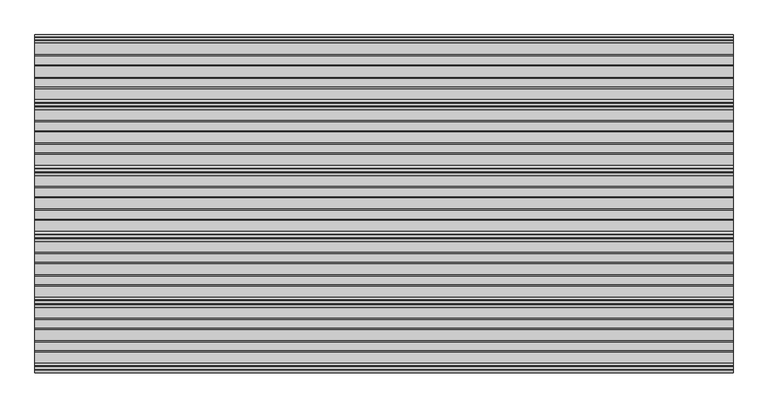
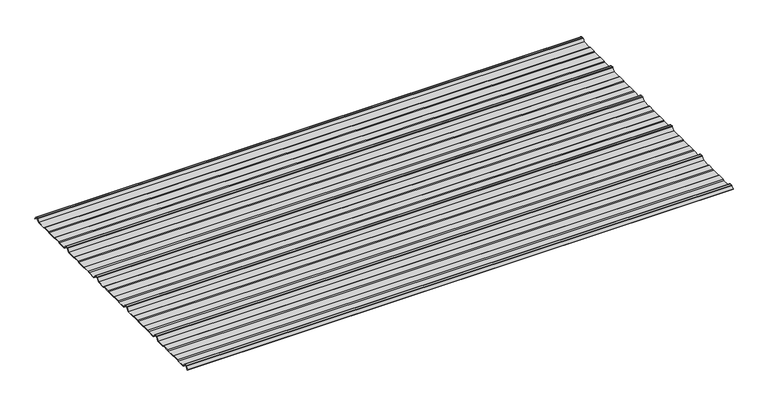
"""IFC4 building model written with IfcOpenShell, lengths in millimetres: beam geometry."""

import ifcopenshell
import ifcopenshell.guid

model = None  # the IFC model being written
_history = None  # IfcOwnerHistory: only IFC2X3 demands one
_inside = {}  # id of a spatial element -> (the spatial element, [elements in it])
_under = {}  # id of a project, library or spatial element -> (it, [spatial elements below it])
_declared = {}  # id of a project -> (the project, [libraries it declares])
_typed = {}  # id of a type object -> (the type object, [elements of that type])
_made_of = {}  # id of a material, layer set ... -> (it, [elements and type objects made of it])


def new_model(schema):
    """Start an empty IFC model of exactly this schema.

    Asked for "IFC4X3", IfcOpenShell would pick the latest addendum, in which some entities
    have other attributes; the version numbers below select the first issue.
    IFC2X3 requires an IfcOwnerHistory on every rooted entity: one is made here for all.
    """
    global model, _history
    if schema == "IFC4X3":
        model = ifcopenshell.file(schema_version=(4, 3, 0, 0))
    else:
        model = ifcopenshell.file(schema=schema)
    _inside.clear()
    _under.clear()
    _declared.clear()
    _typed.clear()
    _made_of.clear()
    _history = None
    if model.schema == "IFC2X3":
        org = make("IfcOrganization", Name="unknown")
        user = make(
            "IfcPersonAndOrganization",
            ThePerson=make("IfcPerson", FamilyName="unknown"),
            TheOrganization=org,
        )
        app = make(
            "IfcApplication",
            ApplicationDeveloper=org,
            Version="unknown",
            ApplicationFullName="unknown",
            ApplicationIdentifier="unknown",
        )
        _history = make(
            "IfcOwnerHistory",
            OwningUser=user,
            OwningApplication=app,
            ChangeAction="ADDED",
            CreationDate=0,
        )
    return model


def make(cls, **values):
    """One entity of the class cls with the attributes given. An attribute that is None is left unset."""
    return model.create_entity(
        cls, **{name: value for name, value in values.items() if value is not None}
    )


def rooted(cls, **values):
    """An entity with a GlobalId (a new one), such as an element, a storey or a relation."""
    return make(cls, GlobalId=ifcopenshell.guid.new(), OwnerHistory=_history, **values)


def si_unit(unit_type, name, prefix=None):
    """IfcSIUnit, for example si_unit("LENGTHUNIT", "METRE", prefix="MILLI")."""
    return make("IfcSIUnit", UnitType=unit_type, Prefix=prefix, Name=name)


def assignment(units):
    """IfcUnitAssignment: the units of a project."""
    return None if units is None else make("IfcUnitAssignment", Units=units)


def point(xyz):
    """IfcCartesianPoint."""
    return None if xyz is None else make("IfcCartesianPoint", Coordinates=xyz)


def direction(xyz):
    """IfcDirection."""
    return None if xyz is None else make("IfcDirection", DirectionRatios=xyz)


def frame(location, z_axis=None, x_axis=None):
    """IfcAxis2Placement3D, a coordinate frame: its origin and axes. An axis left out is left unset."""
    return make(
        "IfcAxis2Placement3D",
        Location=point(location),
        Axis=direction(z_axis),
        RefDirection=direction(x_axis),
    )


def frame_2d(location, x_axis=None):
    """IfcAxis2Placement2D, a coordinate frame in the plane: its origin and x axis."""
    return make(
        "IfcAxis2Placement2D", Location=point(location), RefDirection=direction(x_axis)
    )


def origin():
    """The frame at (0, 0, 0) with its axes left unset."""
    return frame((0.0, 0.0, 0.0))


def place(relative_to, where):
    """IfcLocalPlacement: puts the frame where relative to a parent placement (None: the world)."""
    return make(
        "IfcLocalPlacement", PlacementRelTo=relative_to, RelativePlacement=where
    )


def context(
    kind, dimensions, precision=None, world=None, true_north=None, identifier=None
):
    """IfcGeometricRepresentationContext, for example the 3D "Model" context."""
    return make(
        "IfcGeometricRepresentationContext",
        ContextIdentifier=identifier,
        ContextType=kind,
        CoordinateSpaceDimension=dimensions,
        Precision=precision,
        WorldCoordinateSystem=world,
        TrueNorth=true_north,
    )


def project(units=None, contexts=None):
    """IfcProject with its units and contexts."""
    return rooted(
        "IfcProject",
        Name="project",
        RepresentationContexts=contexts,
        UnitsInContext=assignment(units),
    )


def spatial(cls, under=None, at=None, **own):
    """A site, building, storey or space (cls), placed at a placement, below another one or the project."""
    s = rooted(cls, ObjectPlacement=at, **own)
    if under is not None:
        _under.setdefault(under.id(), (under, []))[1].append(s)
    return s


def polyline(points):
    """IfcPolyline through the points."""
    return make("IfcPolyline", Points=[point(p) for p in points])


def circle_curve(where, radius):
    """IfcCircle in the frame where."""
    return make("IfcCircle", Position=where, Radius=radius)


def trimmed(basis, trim1, trim2, sense, master):
    """IfcTrimmedCurve: the piece of a basis curve between two trims."""
    return make(
        "IfcTrimmedCurve",
        BasisCurve=basis,
        Trim1=trim1,
        Trim2=trim2,
        SenseAgreement=sense,
        MasterRepresentation=master,
    )


def segment(curve, same_sense, transition):
    """IfcCompositeCurveSegment."""
    return make(
        "IfcCompositeCurveSegment",
        Transition=transition,
        SameSense=same_sense,
        ParentCurve=curve,
    )


def composite_curve(segments, self_intersect=None):
    """IfcCompositeCurve: segments joined end to end."""
    return make("IfcCompositeCurve", Segments=segments, SelfIntersect=self_intersect)


def outline(outer, holes=None, kind="AREA"):
    """IfcArbitraryClosedProfileDef: a profile drawn as a closed curve; with holes, ...WithVoids."""
    if holes is None:
        return make("IfcArbitraryClosedProfileDef", ProfileType=kind, OuterCurve=outer)
    return make(
        "IfcArbitraryProfileDefWithVoids",
        ProfileType=kind,
        OuterCurve=outer,
        InnerCurves=holes,
    )


def extrude(swept, where, along, depth):
    """IfcExtrudedAreaSolid: the profile swept, set in the frame where, extruded along a direction by depth."""
    return make(
        "IfcExtrudedAreaSolid",
        SweptArea=swept,
        Position=where,
        ExtrudedDirection=direction(along),
        Depth=depth,
    )


def shape(context_of_items, identifier, shape_type, items):
    """IfcShapeRepresentation: the items that make up one representation, for example the "Body"."""
    return make(
        "IfcShapeRepresentation",
        ContextOfItems=context_of_items,
        RepresentationIdentifier=identifier,
        RepresentationType=shape_type,
        Items=items,
    )


def source(mapping_origin, context_of_items, identifier, shape_type, items):
    """IfcRepresentationMap: a shape defined once, which mapped items show again and again."""
    return make(
        "IfcRepresentationMap",
        MappingOrigin=mapping_origin,
        MappedRepresentation=shape(context_of_items, identifier, shape_type, items),
    )


def transform(
    local_origin,
    x_axis=None,
    y_axis=None,
    z_axis=None,
    scale=None,
    scale2=None,
    scale3=None,
    uniform=True,
):
    """IfcCartesianTransformationOperator3D, or its non-uniform kind. x_axis, y_axis, z_axis: its Axis1, 2, 3."""
    if uniform:
        return make(
            "IfcCartesianTransformationOperator3D",
            Axis1=direction(x_axis),
            Axis2=direction(y_axis),
            LocalOrigin=point(local_origin),
            Scale=scale,
            Axis3=direction(z_axis),
        )
    return make(
        "IfcCartesianTransformationOperator3DnonUniform",
        Axis1=direction(x_axis),
        Axis2=direction(y_axis),
        LocalOrigin=point(local_origin),
        Scale=scale,
        Axis3=direction(z_axis),
        Scale2=scale2,
        Scale3=scale3,
    )


def mapped(mapping_source, mapping_target):
    """IfcMappedItem: shows the shape of a source again, moved by a transform."""
    return make(
        "IfcMappedItem", MappingSource=mapping_source, MappingTarget=mapping_target
    )


def made_of(thing, what):
    """Note that an element or type object is made of a material, layer set ...; save() writes the relation."""
    if what is not None:
        _made_of.setdefault(what.id(), (what, []))[1].append(thing)
    return thing


def element(
    cls,
    number,
    at=None,
    inside=None,
    cuts=None,
    type_object=None,
    material=None,
    context=None,
    identifier="Body",
    shape_type=None,
    held_by="IfcProductDefinitionShape",
    body=None,
    shapes=None,
    **own,
):
    """One element of the class cls, such as IfcWall. Its Tag is "e" and its number.

    at: its placement. inside: the storey or other place that contains it. cuts: it is an
    opening in that element (IfcRelVoidsElement). A single representation is given by context,
    identifier, shape_type and body (its items); several are given by shapes. held_by: the class
    of the entity that holds the representations. save() writes the other relations.
    """
    e = rooted(cls, Tag="e%d" % number, ObjectPlacement=at, **own)
    if body is not None:
        shapes = [shape(context, identifier, shape_type, body)]
    if shapes is not None:
        e.Representation = make(held_by, Representations=shapes)
    if inside is not None:
        _inside.setdefault(inside.id(), (inside, []))[1].append(e)
    if cuts is not None:
        rooted(
            "IfcRelVoidsElement", RelatingBuildingElement=cuts, RelatedOpeningElement=e
        )
    if type_object is not None:
        _typed.setdefault(type_object.id(), (type_object, []))[1].append(e)
    return made_of(e, material)


def aggregate(whole, parts):
    """IfcRelAggregates: a whole, such as a stair, and the parts it consists of."""
    return rooted("IfcRelAggregates", RelatingObject=whole, RelatedObjects=parts)


def save(model, path):
    """Write the relations noted so far, then the file.

    IfcRelAggregates (storeys below a building ...), IfcRelContainedInSpatialStructure (elements
    in a storey), IfcRelDefinesByType, IfcRelAssociatesMaterial and IfcRelDeclares: one each for
    every whole, place, type object, material and project.
    """
    for whole, parts in _under.values():
        aggregate(whole, parts)
    for where, things in _inside.values():
        rooted(
            "IfcRelContainedInSpatialStructure",
            RelatedElements=things,
            RelatingStructure=where,
        )
    for kind, things in _typed.values():
        rooted("IfcRelDefinesByType", RelatedObjects=things, RelatingType=kind)
    for what, things in _made_of.values():
        rooted("IfcRelAssociatesMaterial", RelatedObjects=things, RelatingMaterial=what)
    for by, libraries in _declared.values():
        rooted("IfcRelDeclares", RelatingContext=by, RelatedDefinitions=libraries)
    model.write(path)


def beam_78d0a755(model_context):
    return source(origin(), model_context, "Body", "SweptSolid", [
        extrude(outline(composite_curve([segment(polyline([(-464.94703, -22.7896475), (-442.5749425, -22.7896475), (-439.3107785, -24.7896475), (-410.6895306, -24.7896475), (-407.4253666, -22.7896475), (-385.0532791, -22.7896475), (-380.9266771, -24.7896475), (-353.4995449, -24.7896475), (-345.8948496, -14.952867)]), True, "CONTINUOUS"), segment(trimmed(circle_curve(frame_2d((-343.5198937, -16.7889166)), 3.0019149), [point((-345.8948496, -14.952867))], [point((-343.5198937, -13.7870016))], False, "CARTESIAN"), True, "CONTINUOUS"), segment(polyline([(-343.5198937, -13.7870016), (-336.4804153, -13.7870016)]), True, "CONTINUOUS"), segment(trimmed(circle_curve(frame_2d((-336.4804153, -16.7889166)), 3.0019149), [point((-336.4804153, -13.7870016))], [point((-334.1054594, -14.952867))], False, "CARTESIAN"), True, "CONTINUOUS"), segment(polyline([(-334.1054594, -14.952867), (-326.5007641, -24.7896475), (-299.0736319, -24.7896475), (-294.94703, -22.7896475), (-272.5749425, -22.7896475), (-269.3107785, -24.7896475), (-240.6895306, -24.7896475), (-237.4253666, -22.7896475), (-215.0532791, -22.7896475), (-210.9266771, -24.7896475), (-183.4995449, -24.7896475), (-175.8948496, -14.952867)]), True, "CONTINUOUS"), segment(trimmed(circle_curve(frame_2d((-173.5198937, -16.7889166)), 3.0019149), [point((-175.8948496, -14.952867))], [point((-173.5198937, -13.7870016))], False, "CARTESIAN"), True, "CONTINUOUS"), segment(polyline([(-173.5198937, -13.7870016), (-166.4804153, -13.7870016)]), True, "CONTINUOUS"), segment(trimmed(circle_curve(frame_2d((-166.4804153, -16.7889166)), 3.0019149), [point((-166.4804153, -13.7870016))], [point((-164.1054594, -14.952867))], False, "CARTESIAN"), True, "CONTINUOUS"), segment(polyline([(-164.1054594, -14.952867), (-156.5007641, -24.7896475), (-129.0736319, -24.7896475), (-124.94703, -22.7896475), (-102.5749425, -22.7896475), (-99.3107785, -24.7896475), (-70.6895306, -24.7896475), (-67.4253666, -22.7896475), (-45.0532791, -22.7896475), (-40.9266771, -24.7896475), (-10.9720783, -24.7896475), (-4.6126439, -16.564243)]), True, "CONTINUOUS"), segment(trimmed(circle_curve(frame_2d((-3.0287899, -17.7887926)), 2.0020278), [point((-4.6126439, -16.564243))], [point((-3.0287899, -15.7867648))], False, "CARTESIAN"), True, "CONTINUOUS"), segment(polyline([(-3.0287899, -15.7867648), (3.0287899, -15.7867648)]), True, "CONTINUOUS"), segment(trimmed(circle_curve(frame_2d((3.0287899, -17.7889097)), 2.002145), [point((3.0287899, -15.7867648))], [point((4.6128942, -16.5644924))], False, "CARTESIAN"), True, "CONTINUOUS"), segment(polyline([(4.6128942, -16.5644924), (10.4920288, -24.170692), (9.6974706, -24.7848377), (3.8180292, -17.1782411)]), True, "CONTINUOUS"), segment(trimmed(circle_curve(frame_2d((3.0270062, -17.7896543)), 0.9997717), [point((3.8180292, -17.1782411))], [point((3.0270062, -16.7898825))], True, "CARTESIAN"), True, "CONTINUOUS"), segment(polyline([(3.0270062, -16.7898825), (-3.0276219, -16.7898825)]), True, "CONTINUOUS"), segment(trimmed(circle_curve(frame_2d((-3.0276219, -17.7897705)), 0.999888), [point((-3.0276219, -16.7898825))], [point((-3.8188309, -17.1784078))], True, "CARTESIAN"), True, "CONTINUOUS"), segment(polyline([(-3.8188309, -17.1784078), (-10.472688, -25.7896475), (-41.156237, -25.7896475), (-45.282839, -23.7896475), (-67.1433713, -23.7896475), (-70.4075353, -25.7896475), (-99.5927737, -25.7896475), (-102.8569377, -23.7896475), (-124.7174701, -23.7896475), (-128.8440721, -25.7896475), (-157.0001545, -25.7896475), (-164.8990553, -15.5668074)]), True, "CONTINUOUS"), segment(trimmed(circle_curve(frame_2d((-166.4816677, -16.7896475)), 2.0), [point((-164.8990553, -15.5668074))], [point((-166.4816677, -14.7896475))], True, "CARTESIAN"), True, "CONTINUOUS"), segment(polyline([(-166.4816677, -14.7896475), (-173.5186413, -14.7896475)]), True, "CONTINUOUS"), segment(trimmed(circle_curve(frame_2d((-173.5186413, -16.7896475)), 2.0), [point((-173.5186413, -14.7896475))], [point((-175.1012537, -15.5668074))], True, "CARTESIAN"), True, "CONTINUOUS"), segment(polyline([(-175.1012537, -15.5668074), (-183.0001545, -25.7896475), (-211.156237, -25.7896475), (-215.282839, -23.7896475), (-237.1433713, -23.7896475), (-240.4075353, -25.7896475), (-269.5927737, -25.7896475), (-272.8569377, -23.7896475), (-294.7174701, -23.7896475), (-298.8440721, -25.7896475), (-327.0001545, -25.7896475), (-334.8990553, -15.5668074)]), True, "CONTINUOUS"), segment(trimmed(circle_curve(frame_2d((-336.4816677, -16.7896475)), 2.0), [point((-334.8990553, -15.5668074))], [point((-336.4816677, -14.7896475))], True, "CARTESIAN"), True, "CONTINUOUS"), segment(polyline([(-336.4816677, -14.7896475), (-343.5186413, -14.7896475)]), True, "CONTINUOUS"), segment(trimmed(circle_curve(frame_2d((-343.5186413, -16.7896475)), 2.0), [point((-343.5186413, -14.7896475))], [point((-345.1012537, -15.5668074))], True, "CARTESIAN"), True, "CONTINUOUS"), segment(polyline([(-345.1012537, -15.5668074), (-353.0001545, -25.7896475), (-381.156237, -25.7896475), (-385.282839, -23.7896475), (-407.1433713, -23.7896475), (-410.4075353, -25.7896475), (-439.5927737, -25.7896475), (-442.8569377, -23.7896475), (-464.7174701, -23.7896475), (-468.8440721, -25.7896475), (-497.0001545, -25.7896475), (-504.8990553, -15.5668074)]), True, "CONTINUOUS"), segment(trimmed(circle_curve(frame_2d((-506.4816677, -16.7896475)), 2.0), [point((-504.8990553, -15.5668074))], [point((-506.4816677, -14.7896475))], True, "CARTESIAN"), True, "CONTINUOUS"), segment(polyline([(-506.4816677, -14.7896475), (-513.5186413, -14.7896475)]), True, "CONTINUOUS"), segment(trimmed(circle_curve(frame_2d((-513.5186413, -16.7896475)), 2.0), [point((-513.5186413, -14.7896475))], [point((-515.1012537, -15.5668074))], True, "CARTESIAN"), True, "CONTINUOUS"), segment(polyline([(-515.1012537, -15.5668074), (-523.0001545, -25.7896475), (-551.156237, -25.7896475), (-555.282839, -23.7896475), (-577.1433713, -23.7896475), (-580.4075353, -25.7896475), (-609.5927737, -25.7896475), (-612.8569377, -23.7896475), (-634.7174701, -23.7896475), (-638.8440721, -25.7896475), (-667.0001545, -25.7896475), (-674.8990553, -15.5668074)]), True, "CONTINUOUS"), segment(trimmed(circle_curve(frame_2d((-676.4816677, -16.7896475)), 2.0), [point((-674.8990553, -15.5668074))], [point((-676.4816677, -14.7896475))], True, "CARTESIAN"), True, "CONTINUOUS"), segment(polyline([(-676.4816677, -14.7896475), (-683.5186413, -14.7896475)]), True, "CONTINUOUS"), segment(trimmed(circle_curve(frame_2d((-683.5186413, -16.7896475)), 2.0), [point((-683.5186413, -14.7896475))], [point((-685.1012537, -15.5668074))], True, "CARTESIAN"), True, "CONTINUOUS"), segment(polyline([(-685.1012537, -15.5668074), (-693.0001545, -25.7896475), (-721.156237, -25.7896475), (-725.282839, -23.7896475), (-747.1433713, -23.7896475), (-750.4075353, -25.7896475), (-779.5927737, -25.7896475), (-782.8569377, -23.7896475), (-804.7174701, -23.7896475), (-808.8440721, -25.7896475), (-837.0001545, -25.7896475), (-844.8990553, -15.5668074)]), True, "CONTINUOUS"), segment(trimmed(circle_curve(frame_2d((-846.4816677, -16.7896475)), 2.0), [point((-844.8990553, -15.5668074))], [point((-846.4816677, -14.7896475))], True, "CARTESIAN"), True, "CONTINUOUS"), segment(polyline([(-846.4816677, -14.7896475), (-853.5186413, -14.7896475)]), True, "CONTINUOUS"), segment(trimmed(circle_curve(frame_2d((-853.5186413, -16.7896475)), 2.0), [point((-853.5186413, -14.7896475))], [point((-855.1012537, -15.5668074))], True, "CARTESIAN"), True, "CONTINUOUS"), segment(polyline([(-855.1012537, -15.5668074), (-861.6645407, -24.0610821), (-862.3821367, -23.3434861), (-855.8947672, -14.9527605)]), True, "CONTINUOUS"), segment(trimmed(circle_curve(frame_2d((-853.5198937, -16.7889166)), 3.0019149), [point((-855.8947672, -14.9527605))], [point((-853.5198937, -13.7870016))], False, "CARTESIAN"), True, "CONTINUOUS"), segment(polyline([(-853.5198937, -13.7870016), (-846.4804153, -13.7870016)]), True, "CONTINUOUS"), segment(trimmed(circle_curve(frame_2d((-846.4804153, -16.7889166)), 3.0019149), [point((-846.4804153, -13.7870016))], [point((-844.1054594, -14.952867))], False, "CARTESIAN"), True, "CONTINUOUS"), segment(polyline([(-844.1054594, -14.952867), (-836.5007641, -24.7896475), (-809.0736319, -24.7896475), (-804.94703, -22.7896475), (-782.5749425, -22.7896475), (-779.3107785, -24.7896475), (-750.6895306, -24.7896475), (-747.4253666, -22.7896475), (-725.0532791, -22.7896475), (-720.9266771, -24.7896475), (-693.4995449, -24.7896475), (-685.8948496, -14.952867)]), True, "CONTINUOUS"), segment(trimmed(circle_curve(frame_2d((-683.5198937, -16.7889166)), 3.0019149), [point((-685.8948496, -14.952867))], [point((-683.5198937, -13.7870016))], False, "CARTESIAN"), True, "CONTINUOUS"), segment(polyline([(-683.5198937, -13.7870016), (-676.4804153, -13.7870016)]), True, "CONTINUOUS"), segment(trimmed(circle_curve(frame_2d((-676.4804153, -16.7889166)), 3.0019149), [point((-676.4804153, -13.7870016))], [point((-674.1054594, -14.952867))], False, "CARTESIAN"), True, "CONTINUOUS"), segment(polyline([(-674.1054594, -14.952867), (-666.5007641, -24.7896475), (-639.0736319, -24.7896475), (-634.94703, -22.7896475), (-612.5749425, -22.7896475), (-609.3107785, -24.7896475), (-580.6895306, -24.7896475), (-577.4253666, -22.7896475), (-555.0532791, -22.7896475), (-550.9266771, -24.7896475), (-523.4995449, -24.7896475), (-515.8948496, -14.952867)]), True, "CONTINUOUS"), segment(trimmed(circle_curve(frame_2d((-513.5198937, -16.7889166)), 3.0019149), [point((-515.8948496, -14.952867))], [point((-513.5198937, -13.7870016))], False, "CARTESIAN"), True, "CONTINUOUS"), segment(polyline([(-513.5198937, -13.7870016), (-506.4804153, -13.7870016)]), True, "CONTINUOUS"), segment(trimmed(circle_curve(frame_2d((-506.4804153, -16.7889166)), 3.0019149), [point((-506.4804153, -13.7870016))], [point((-504.1054594, -14.952867))], False, "CARTESIAN"), True, "CONTINUOUS"), segment(polyline([(-504.1054594, -14.952867), (-496.5007641, -24.7896475), (-469.0736319, -24.7896475), (-464.94703, -22.7896475)]), True, "CONTINUOUS")], self_intersect=False)), frame((-900.0, 0.0, 0.0), z_axis=(1.0, 0.0, 0.0), x_axis=(0.0, 1.0, 0.0)), (0.0, 0.0, 1.0), 1800.0),
    ])


if __name__ == "__main__":
    model = new_model("IFC4")
    model_context = context("Model", 3, world=origin())
    ifc_project = project(units=[si_unit("LENGTHUNIT", "METRE", prefix="MILLI")], contexts=[model_context])
    site = spatial("IfcSite", under=ifc_project)
    building = spatial("IfcBuilding", under=site)
    placement = place(None, origin())
    beam_shape = beam_78d0a755(model_context)
    element("IfcBeam", 1, at=placement, inside=building, context=model_context, shape_type="MappedRepresentation", body=[
        mapped(beam_shape, transform((0.0, 0.0, 0.0), x_axis=(1.0, 0.0, 0.0), y_axis=(0.0, 1.0, 0.0), z_axis=(0.0, 0.0, 1.0))),
    ])
    save(model, "model.ifc")
